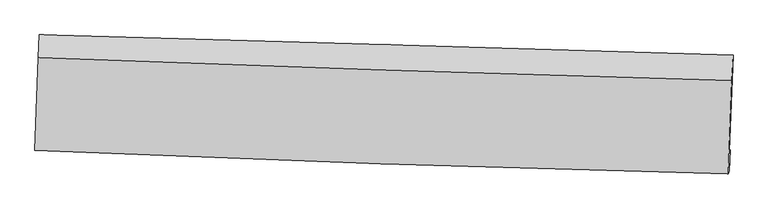
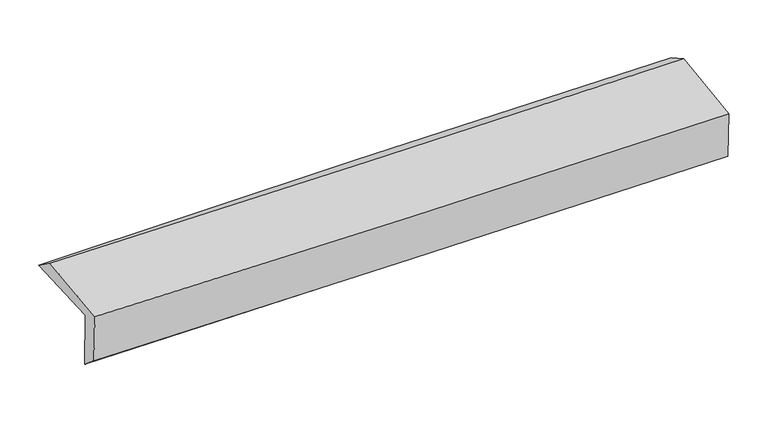
"""IFC4 building model written with IfcOpenShell, lengths in millimetres: proxy geometry."""

from ifc_helpers import new_model, si_unit, frame, origin, place, context, project, spatial, source, transform, mapped, element, save
from ifc_brep_helpers import plane_surface, spline_curve, spline_surface, advanced_brep


def generic_models_aa3377b0(model_context):
    return source(origin(), model_context, "Body", "AdvancedBrep", [
        advanced_brep(
        [(-2416.4165858, -1726.3037753, 2009.1168963), (-2391.8253731, -1064.2383197, 2009.0722515), (2413.8856682, -1203.8594428, 2106.1290348), (2388.1286151, -1875.3277912, 2086.1990167), (-2409.3611936, -1707.3170971, 1593.3823294), (2394.8020149, -1861.6948927, 1682.7182813), (-2416.1794447, -1843.1363103, 1709.4987725), (2387.408902, -2007.6003331, 1796.3452145), (-2422.8024264, -1866.9856244, 2085.1001417), (2380.9333747, -2030.9909051, 2161.963299), (-2399.5024783, -1223.4036915, 2124.64713), (2405.4153913, -1382.5899244, 2206.831389)],
        [
            (0, 1),
            (1, 2, spline_curve(3, [(-2391.8253731, -1064.2383197, 2009.0722515), (-1591.074216953, -1085.956072518, 2030.580331963), (-790.29557734, -1108.44778518, 2049.421451217), (811.608083043, -1154.98759622, 2081.775653574), (1612.733123977, -1179.036258034, 2095.286795338), (2413.8856682, -1203.8594428, 2106.1290348)], [4, 2, 4], [0.0, 7.885848454934585, 15.77456657756075])),
            (2, 3),
            (3, 0, spline_curve(3, [(2388.1286151, -1875.3277912, 2086.1990167), (1587.201871497, -1852.088722302, 2072.032254218), (786.286899339, -1828.048114826, 2058.524314119), (-815.228159329, -1778.372859966, 2032.830753186), (-1615.828254023, -1752.738795349, 2020.644653004), (-2416.4165858, -1726.3037753, 2009.1168963)], [4, 2, 4], [0.0, 7.888718122626164, 15.77456657756075])),
            (4, 0),
            (3, 5),
            (5, 4, spline_curve(3, [(2394.8020149, -1861.6948927, 1682.7182813), (1593.810061013, -1839.348549589, 1670.594915919), (792.89433374, -1815.30791339, 1657.086964114), (-808.493346902, -1763.847415568, 1627.307306523), (-1608.96535593, -1736.428786748, 1611.036607377), (-2409.3611936, -1707.3170971, 1593.3823294)], [4, 2, 4], [0.0, 7.887712612306425, 15.772555922694318])),
            (6, 4),
            (5, 7),
            (7, 6, spline_curve(3, [(2387.408902, -2007.6003331, 1796.3452145), (1586.4103442, -1986.939367785, 1783.808064539), (785.539238419, -1962.900442351, 1770.300793131), (-815.656784647, -1908.07664425, 1741.351273489), (-1615.981794194, -1877.294228898, 1725.909730967), (-2416.1794447, -1843.1363103, 1709.4987725)], [4, 2, 4], [0.0, 7.8875271261930555, 15.772185017941599])),
            (8, 6),
            (7, 9),
            (9, 8, spline_curve(3, [(2380.9333747, -2030.9909051, 2161.963299), (1579.967675938, -2010.253758059, 2147.76148619), (779.100704163, -1986.214991324, 2134.254277787), (-822.144491046, -1931.544162649, 2108.633730436), (-1622.522786378, -1900.914502914, 2096.519886456), (-2422.8024264, -1866.9856244, 2085.1001417)], [4, 2, 4], [0.0, 7.887286044363106, 15.77170294197969])),
            (10, 8),
            (9, 11),
            (11, 10, spline_curve(3, [(2405.4153913, -1382.5899244, 2206.831389), (1604.240588317, -1361.033589249, 2193.510719029), (803.1705422, -1336.98703607, 2180.000415557), (-798.468671603, -1283.923146773, 2152.60552465), (-1599.037915042, -1254.907622409, 2138.72107524), (-2399.5024783, -1223.4036915, 2124.64713)], [4, 2, 4], [0.0, 7.888145312689352, 15.773421166057375])),
            (1, 10),
            (11, 2),
        ],
        [
            spline_surface(3, 3, [[(-2416.4165858, -1726.3037753, 2009.1168963), (-1615.828253892, -1752.738795342, 2020.644653083), (-815.228159206, -1778.372859884, 2032.830753197), (786.286899216, -1828.048114908, 2058.524314108), (1587.201871461, -1852.088722305, 2072.03225411), (2388.1286151, -1875.3277912, 2086.1990167)], [(-2408.219514876, -1505.615290085, 2009.102014709), (-1607.576908231, -1530.477887755, 2023.956546014), (-806.917298569, -1555.06450164, 2038.360985879), (794.727293847, -1603.69460865, 2066.274760646), (1595.712288926, -1627.737900834, 2079.783767885), (2396.714299451, -1651.505008377, 2092.842356072)], [(-2400.022444024, -1284.926804915, 2009.087133091), (-1599.325562643, -1308.216980213, 2027.268438918), (-798.606437987, -1331.756143454, 2043.891218475), (803.167688423, -1379.341102449, 2074.025207097), (1604.222706436, -1403.387079432, 2087.535281642), (2405.299983849, -1427.682225623, 2099.485695428)], [(-2391.8253731, -1064.2383197, 2009.0722515), (-1591.074216983, -1085.956072626, 2030.580331849), (-790.295577351, -1108.44778521, 2049.421451157), (811.608083054, -1154.98759619, 2081.775653635), (1612.7331239, -1179.036257961, 2095.286795416), (2413.8856682, -1203.8594428, 2106.1290348)]], [4, 4], [4, 2, 4], [0.0, 2.2055727753210794], [0.0, 7.885848454934585, 15.77456657756075]),
            spline_surface(3, 3, [[(-2409.3611936, -1707.3170971, 1593.3823294), (-1608.965355879, -1736.428786802, 1611.036607394), (-808.493346944, -1763.847415649, 1627.30730642), (792.894333782, -1815.307913309, 1657.086964217), (1593.810061, -1839.348549617, 1670.594915807), (2394.8020149, -1861.6948927, 1682.7182813)], [(-2411.712990997, -1713.645989848, 1731.960518377), (-1611.252988547, -1741.86545633, 1747.572622634), (-810.73828437, -1768.689230412, 1762.481788662), (790.691855587, -1819.554647193, 1790.899414164), (1591.607331167, -1843.595273853, 1804.407361919), (2392.577548314, -1866.239192207, 1817.211859777)], [(-2414.064788403, -1719.974882552, 1870.538707323), (-1613.540621224, -1747.302125814, 1884.108637844), (-812.983221779, -1773.531045121, 1897.656270955), (788.48937741, -1823.801381024, 1924.711864161), (1589.404601294, -1847.841998068, 1938.219807999), (2390.353081686, -1870.783491693, 1951.705438223)], [(-2416.4165858, -1726.3037753, 2009.1168963), (-1615.828253892, -1752.738795342, 2020.644653083), (-815.228159206, -1778.372859884, 2032.830753197), (786.286899216, -1828.048114908, 2058.524314108), (1587.201871461, -1852.088722305, 2072.03225411), (2388.1286151, -1875.3277912, 2086.1990167)]], [4, 4], [4, 2, 4], [0.0, 1.324688342501569], [0.0, 7.884843310387893, 15.772555922694318]),
            spline_surface(3, 3, [[(-2416.1794447, -1843.1363103, 1709.4987725), (-1615.981794164, -1877.294228844, 1725.909730899), (-815.656784534, -1908.07664426, 1741.351273487), (785.539238306, -1962.900442341, 1770.300793134), (1586.410344278, -1986.939367851, 1783.808064594), (2387.408902, -2007.6003331, 1796.3452145)], [(-2413.906694358, -1797.863239217, 1670.793291434), (-1613.642981428, -1830.33908148, 1687.618689698), (-813.268972014, -1860.000234708, 1703.336617813), (787.990936787, -1913.702932649, 1732.562850176), (1588.876916519, -1937.742428443, 1746.070348331), (2389.873272967, -1958.965186303, 1758.4695701)], [(-2411.633943942, -1752.590168183, 1632.087810466), (-1611.304168616, -1783.383934165, 1649.327648595), (-810.881159463, -1811.923825202, 1665.321962095), (790.4426353, -1864.505423002, 1694.824907174), (1591.343488759, -1888.545489025, 1708.33263207), (2392.337643933, -1910.330039497, 1720.5939257)], [(-2409.3611936, -1707.3170971, 1593.3823294), (-1608.965355879, -1736.428786802, 1611.036607394), (-808.493346944, -1763.847415649, 1627.30730642), (792.894333782, -1815.307913309, 1657.086964217), (1593.810061, -1839.348549617, 1670.594915807), (2394.8020149, -1861.6948927, 1682.7182813)]], [4, 4], [4, 2, 4], [0.0, 0.6072155988542579], [0.0, 7.884657891748543, 15.772185017941599]),
            spline_surface(3, 3, [[(-2422.8024264, -1866.9856244, 2085.1001417), (-1622.522786326, -1900.914502789, 2096.519886465), (-822.144491052, -1931.54416272, 2108.633730525), (779.10070417, -1986.214991254, 2134.254277697), (1579.967675923, -2010.253758183, 2147.761486076), (2380.9333747, -2030.9909051, 2161.963299)], [(-2420.594765833, -1859.035853038, 1959.8996853), (-1620.342455605, -1893.041078145, 1972.983167943), (-819.981922208, -1923.721656579, 1986.206244848), (781.24688222, -1978.443474962, 2012.936449512), (1582.11523202, -2002.482294728, 2026.443678894), (2383.091883779, -2023.194047755, 2040.090604145)], [(-2418.387105267, -1851.086081662, 1834.6992289), (-1618.162124885, -1885.167653487, 1849.446449421), (-817.819353378, -1915.899150401, 1863.778759164), (783.393060255, -1970.671958633, 1891.618621319), (1584.262788181, -1994.710831307, 1905.125871776), (2385.250392921, -2015.397190445, 1918.217909355)], [(-2416.1794447, -1843.1363103, 1709.4987725), (-1615.981794164, -1877.294228844, 1725.909730899), (-815.656784534, -1908.07664426, 1741.351273487), (785.539238306, -1962.900442341, 1770.300793134), (1586.410344278, -1986.939367851, 1783.808064594), (2387.408902, -2007.6003331, 1796.3452145)]], [4, 4], [4, 2, 4], [0.0, 1.202171408926586], [0.0, 7.8844168976165845, 15.77170294197969]),
            spline_surface(3, 3, [[(-2399.5024783, -1223.4036915, 2124.64713), (-1599.037915072, -1254.9076225, 2138.721075168), (-798.468671542, -1283.923146905, 2152.605524639), (803.170542138, -1336.987035939, 2180.000415568), (1604.240588448, -1361.033589159, 2193.510719119), (2405.4153913, -1382.5899244, 2206.831389)], [(-2407.269127658, -1437.931002476, 2111.46480058), (-1606.866205482, -1470.243249272, 2124.654012281), (-806.360611375, -1499.796818839, 2137.948259937), (795.147262819, -1553.396354373, 2164.751702947), (1596.149617605, -1577.440312192, 2178.260974793), (2397.254719099, -1598.723584658, 2191.875359022)], [(-2415.035777042, -1652.458313424, 2098.28247112), (-1614.694495917, -1685.578876017, 2110.586949352), (-814.252551219, -1715.670490785, 2123.290995227), (787.123983488, -1769.805672819, 2149.502990318), (1588.058646766, -1793.84703515, 2163.011230402), (2389.094046901, -1814.857244842, 2176.919328978)], [(-2422.8024264, -1866.9856244, 2085.1001417), (-1622.522786326, -1900.914502789, 2096.519886465), (-822.144491052, -1931.54416272, 2108.633730525), (779.10070417, -1986.214991254, 2134.254277697), (1579.967675923, -2010.253758183, 2147.761486076), (2380.9333747, -2030.9909051, 2161.963299)]], [4, 4], [4, 2, 4], [0.0, 2.133900648906383], [0.0, 7.8852758533680225, 15.773421166057375]),
            spline_surface(3, 3, [[(-2391.8253731, -1064.2383197, 2009.0722515), (-1591.074216983, -1085.956072626, 2030.580331849), (-790.295577351, -1108.44778521, 2049.421451157), (811.608083054, -1154.98759619, 2081.775653635), (1612.7331239, -1179.036257961, 2095.286795416), (2413.8856682, -1203.8594428, 2106.1290348)], [(-2394.384408178, -1117.293443635, 2047.597211), (-1593.728783024, -1142.273255919, 2066.627246289), (-793.019942092, -1166.939572449, 2083.816142286), (808.795569405, -1215.654076114, 2114.517240914), (1609.902278773, -1239.702035027, 2128.028103301), (2411.062242591, -1263.43627, 2139.696486184)], [(-2396.943443222, -1170.348567565, 2086.1221705), (-1596.383349031, -1198.590439207, 2102.674160728), (-795.744306801, -1225.431359665, 2118.210833509), (805.983055787, -1276.320556015, 2147.258828288), (1607.071433574, -1300.367812093, 2160.769411234), (2408.238816909, -1323.0130972, 2173.263937616)], [(-2399.5024783, -1223.4036915, 2124.64713), (-1599.037915072, -1254.9076225, 2138.721075168), (-798.468671542, -1283.923146905, 2152.605524639), (803.170542138, -1336.987035939, 2180.000415568), (1604.240588448, -1361.033589159, 2193.510719119), (2405.4153913, -1382.5899244, 2206.831389)]], [4, 4], [4, 2, 4], [0.0, 0.6736328917743727], [0.0, 7.886498097035502, 15.775866098167956]),
            plane_surface(frame((2395.095661, -1727.0105482, 2006.6977059), z_axis=(0.9991320241471375, -0.0387776008901072, 0.015214992371066983), x_axis=(0.01767228468933406, 0.06383493312526745, -0.9978039845915389))),
            plane_surface(frame((-2409.347917, -1571.8974697, 1921.8029202), z_axis=(-0.9991945477652115, 0.0371122283050684, -0.015262313930305816), x_axis=(-0.037117579283218724, -0.9993109029562661, 6.738609773147727e-05))),
        ],
        [
            (0, [[1, 2, 3, 4]]),
            (1, [[5, -4, 6, 7]]),
            (2, [[8, -7, 9, 10]]),
            (3, [[11, -10, 12, 13]]),
            (4, [[14, -13, 15, 16]]),
            (5, [[17, -16, 18, -2]]),
            (6, [[-12, -9, -6, -3, -18, -15]]),
            (7, [[-1, -5, -8, -11, -14, -17]]),
        ],
    ),
    ])


if __name__ == "__main__":
    model = new_model("IFC4")
    model_context = context("Model", 3, world=origin())
    ifc_project = project(units=[si_unit("LENGTHUNIT", "METRE", prefix="MILLI")], contexts=[model_context])
    site = spatial("IfcSite", under=ifc_project)
    building = spatial("IfcBuilding", under=site)
    placement = place(None, origin())
    generic_models_shape = generic_models_aa3377b0(model_context)
    element("IfcBuildingElementProxy", 1, Name="Generic Models", at=placement, inside=building, context=model_context, shape_type="MappedRepresentation", body=[
        mapped(generic_models_shape, transform((0.0, 0.0, 0.0), x_axis=(1.0, 0.0, 0.0), y_axis=(0.0, 1.0, 0.0), z_axis=(0.0, 0.0, 1.0))),
    ])
    save(model, "model.ifc")
